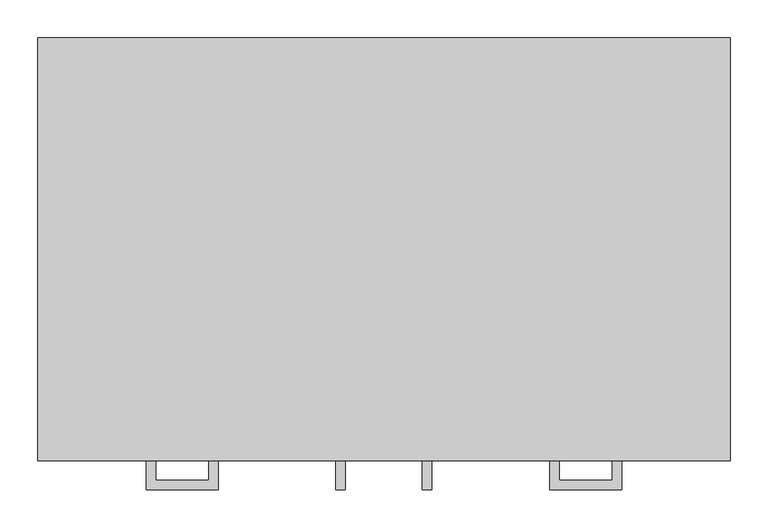
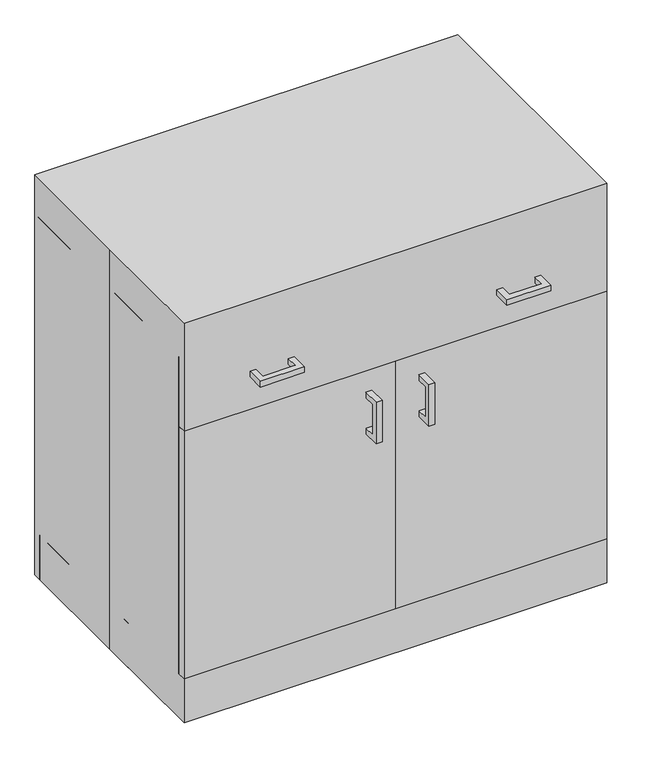
"""IFC4 building model written with IfcOpenShell, lengths in millimetres: proxy geometry."""

from ifc_helpers import new_model, si_unit, frame, origin, origin_with_axes, place, context, project, spatial, polyline, outline, extrude, source, transform, mapped, element, save


def specialty_equipment_08953d44(model_context):
    return source(origin(), model_context, "Body", "SweptSolid", [
        extrude(outline(polyline([(0.0, -279.4), (-457.2, -279.4), (-457.2, -260.35), (0.0, -260.35), (0.0, -279.4)])), frame((0.0, 0.0, 101.6), z_axis=(0.0, 0.0, 1.0), x_axis=(1.0, 0.0, 0.0)), (0.0, 0.0, 1.0), 565.15),
        extrude(outline(polyline([(-314.325, -317.5), (-314.325, -279.4), (-301.6409299, -279.4), (-301.6409299, -304.8159299), (-231.7590701, -304.8159299), (-231.7590701, -279.4), (-219.075, -279.4), (-219.075, -317.5), (-314.325, -317.5)])), frame((0.0, 0.0, 741.3462383), z_axis=(0.0, 0.0, 1.0), x_axis=(1.0, 0.0, 0.0)), (0.0, 0.0, 1.0), 12.7),
        extrude(outline(polyline([(314.325, -317.5), (219.075, -317.5), (219.075, -279.4), (231.7590701, -279.4), (231.7590701, -304.8159299), (301.6409299, -304.8159299), (301.6409299, -279.4), (314.325, -279.4), (314.325, -317.5)])), frame((0.0, 0.0, 741.3462383), z_axis=(0.0, 0.0, 1.0), x_axis=(1.0, 0.0, 0.0)), (0.0, 0.0, 1.0), 12.7),
        extrude(outline(polyline([(457.2, -279.4), (0.0, -279.4), (0.0, -260.35), (457.2, -260.35), (457.2, -279.4)])), frame((0.0, 0.0, 101.6), z_axis=(0.0, 0.0, 1.0), x_axis=(1.0, 0.0, 0.0)), (0.0, 0.0, 1.0), 565.15),
        extrude(outline(polyline([(-317.5, 523.8560937), (-317.5, 619.1060937), (-279.4, 619.1060937), (-279.4, 606.4220236), (-304.8159299, 606.4220236), (-304.8159299, 536.5401637), (-279.4, 536.5401637), (-279.4, 523.8560937), (-317.5, 523.8560937)])), frame((50.5065288, 0.0, 0.0), z_axis=(1.0, 0.0, 0.0), x_axis=(0.0, 1.0, 0.0)), (0.0, 0.0, 1.0), 12.7),
        extrude(outline(polyline([(-317.5, 523.8560937), (-317.5, 619.1060937), (-279.4, 619.1060937), (-279.4, 606.4220236), (-304.8159299, 606.4220236), (-304.8159299, 536.5401637), (-279.4, 536.5401637), (-279.4, 523.8560937), (-317.5, 523.8560937)])), frame((-63.7934712, 0.0, 0.0), z_axis=(1.0, 0.0, 0.0), x_axis=(0.0, 1.0, 0.0)), (0.0, 0.0, 1.0), 12.7),
        extrude(outline(polyline([(-457.2, 279.4), (457.2, 279.4), (457.2, -279.4), (-457.2, -279.4), (-457.2, 0.0), (-457.2, 279.4)])), origin_with_axes(), (0.0, 0.0, 1.0), 914.4),
        extrude(outline(polyline([(-457.2, -184.15), (-457.2, 260.35), (-438.15, 260.35), (-438.15, -184.15), (-457.2, -184.15)])), origin_with_axes(), (0.0, 0.0, 1.0), 101.6),
        extrude(outline(polyline([(438.15, -184.15), (438.15, 260.35), (457.2, 260.35), (457.2, -184.15), (438.15, -184.15)])), origin_with_axes(), (0.0, 0.0, 1.0), 101.6),
        extrude(outline(polyline([(438.15, -260.35), (438.15, 279.4), (457.2, 279.4), (457.2, -260.35), (438.15, -260.35)])), frame((0.0, 0.0, 101.6), z_axis=(0.0, 0.0, 1.0), x_axis=(1.0, 0.0, 0.0)), (0.0, 0.0, 1.0), 723.8674767),
        extrude(outline(polyline([(-457.2, -260.35), (-457.2, 279.4), (-438.15, 279.4), (-438.15, -260.35), (-457.2, -260.35)])), frame((0.0, 0.0, 101.6), z_axis=(0.0, 0.0, 1.0), x_axis=(1.0, 0.0, 0.0)), (0.0, 0.0, 1.0), 723.8674767),
        extrude(outline(polyline([(457.2, -279.4), (0.0, -279.4), (0.0, -260.35), (457.2, -260.35), (457.2, -279.4)])), frame((0.0, 0.0, 673.0674767), z_axis=(0.0, 0.0, 1.0), x_axis=(1.0, 0.0, 0.0)), (0.0, 0.0, 1.0), 152.4),
        extrude(outline(polyline([(0.0, -279.4), (-457.2, -279.4), (-457.2, -260.35), (0.0, -260.35), (0.0, -279.4)])), frame((0.0, 0.0, 673.0674767), z_axis=(0.0, 0.0, 1.0), x_axis=(1.0, 0.0, 0.0)), (0.0, 0.0, 1.0), 152.4),
        extrude(outline(polyline([(457.2, -203.2), (-457.2, -203.2), (-457.2, -184.15), (457.2, -184.15), (457.2, -203.2)])), origin_with_axes(), (0.0, 0.0, 1.0), 101.6),
        extrude(outline(polyline([(457.2, 260.35), (-457.2, 260.35), (-457.2, 279.4), (457.2, 279.4), (457.2, 260.35)])), origin_with_axes(), (0.0, 0.0, 1.0), 101.6),
        extrude(outline(polyline([(438.15, 260.35), (438.15, -260.35), (-438.15, -260.35), (-438.15, 260.35), (438.15, 260.35)])), frame((0.0, 0.0, 101.6), z_axis=(0.0, 0.0, 1.0), x_axis=(1.0, 0.0, 0.0)), (0.0, 0.0, 1.0), 19.1166954),
        extrude(outline(polyline([(438.15, 260.35), (-438.15, 260.35), (-438.15, 279.4), (438.15, 279.4), (438.15, 260.35)])), frame((0.0, 0.0, 101.6), z_axis=(0.0, 0.0, 1.0), x_axis=(1.0, 0.0, 0.0)), (0.0, 0.0, 1.0), 704.8174767),
    ])


if __name__ == "__main__":
    model = new_model("IFC4")
    model_context = context("Model", 3, world=origin())
    ifc_project = project(units=[si_unit("LENGTHUNIT", "METRE", prefix="MILLI")], contexts=[model_context])
    site = spatial("IfcSite", under=ifc_project)
    building = spatial("IfcBuilding", under=site)
    placement = place(None, origin())
    specialty_equipment_shape = specialty_equipment_08953d44(model_context)
    element("IfcBuildingElementProxy", 1, Name="Specialty Equipment", at=placement, inside=building, context=model_context, shape_type="MappedRepresentation", body=[
        mapped(specialty_equipment_shape, transform((0.0, 0.0, 0.0), x_axis=(1.0, 0.0, 0.0), y_axis=(0.0, 1.0, 0.0), z_axis=(0.0, 0.0, 1.0))),
    ])
    save(model, "model.ifc")
